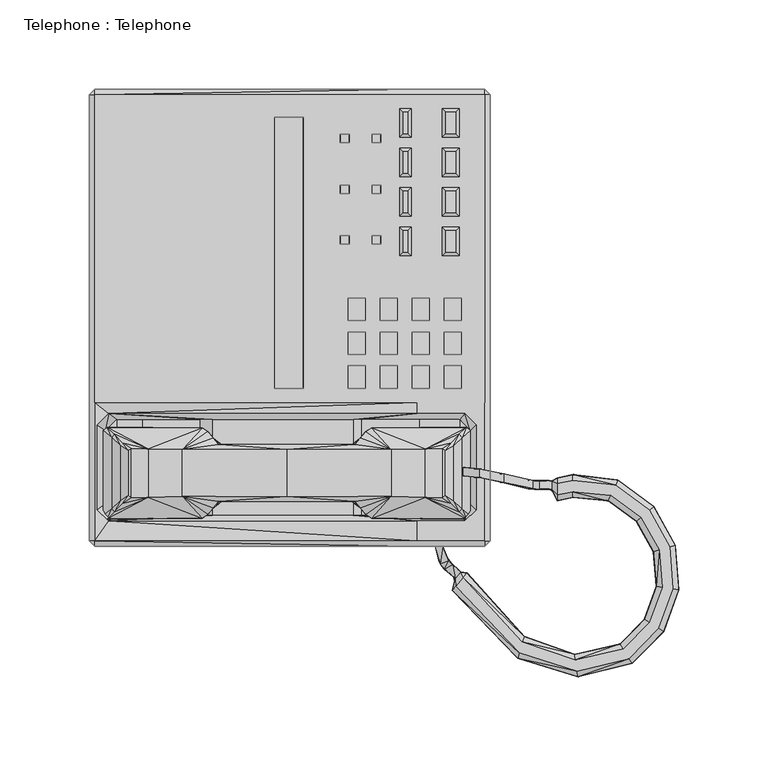
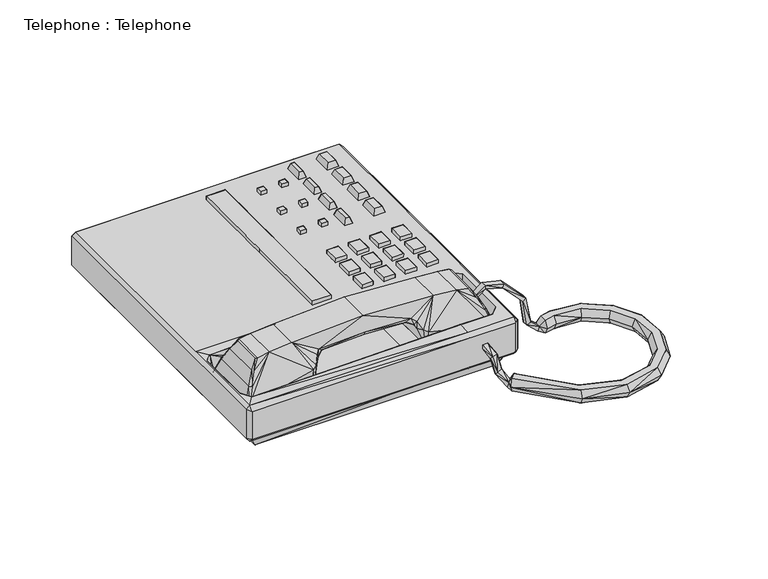
"""IFC4 building model written with IfcOpenShell, lengths in millimetres: proxy geometry, Telephone : Telephone."""

from ifc_helpers import new_model, si_unit, origin, place, context, project, spatial, triangles, source, transform, mapped, element, save


def telephone_telephone_0df5da5e(model_context):
    return source(origin(), model_context, "Body", "Tessellation", [
        triangles([(191.1736326, 139.700003, 47.631563), (191.1594801, 139.700003, 44.4565978), (181.6345709, 139.700003, 44.4990098), (181.6487052, 139.700003, 47.673975), (209.1350362, 139.700003, 47.6415188), (209.1209019, 139.700003, 44.4665536), (199.5959928, 139.700003, 44.5089656), (199.6101452, 139.700003, 47.6839308), (173.2008924, 139.700003, 47.6221386), (173.1867581, 139.700003, 44.4471734), (163.6618308, 139.700003, 44.4895855), (163.6759832, 139.700003, 47.6645506), (155.2324216, 139.700003, 47.5756798), (155.2182691, 139.700003, 44.4007101), (145.693369, 139.700003, 44.3146961), (145.7075033, 139.700003, 47.6180918), (191.1736326, 120.650003, 47.6315675), (191.1594801, 120.650003, 44.4566024), (181.6345709, 120.650003, 44.4990144), (181.6487052, 120.650003, 47.6739796), (181.6487052, 126.999997, 47.6739796), (181.6345709, 126.999997, 44.4990144), (191.1736326, 126.999997, 47.6315675), (191.1594801, 126.999997, 44.4566024), (181.6487052, 88.899997, 47.6739841), (181.6345709, 88.899997, 44.4990144), (191.1736326, 88.899997, 47.6315721), (191.1594801, 88.899997, 44.4566024), (181.6487052, 101.5999939, 47.6739796), (181.6345709, 101.5999939, 44.4990144), (191.1736326, 101.5999939, 47.6315675), (191.1594801, 101.5999939, 44.4566024), (181.6487052, 107.949997, 47.6739796), (181.6345709, 107.949997, 44.4990144), (191.1736326, 107.949997, 47.6315675), (191.1594801, 107.949997, 44.4566024), (199.6101452, 126.999997, 47.6839354), (199.5959928, 126.999997, 44.5089702), (209.1350362, 126.999997, 47.6415233), (209.1209019, 126.999997, 44.4665582), (209.1350362, 120.650003, 47.6415233), (209.1209019, 120.650003, 44.4665582), (199.5959928, 120.650003, 44.5089702), (199.6101452, 120.650003, 47.6839354), (199.6101452, 88.899997, 47.6839399), (199.5959928, 88.899997, 44.5089702), (209.1350362, 88.899997, 47.6415279), (209.1209019, 88.899997, 44.4665582), (209.1350362, 101.5999939, 47.6415233), (209.1209019, 101.5999939, 44.4665582), (199.5959928, 101.5999939, 44.5089702), (199.6101452, 101.5999939, 47.6839354), (199.6101452, 107.949997, 47.6839354), (199.5959928, 107.949997, 44.5089702), (209.1350362, 107.949997, 47.6415233), (209.1209019, 107.949997, 44.4665582), (173.2008924, 107.949997, 47.6221432), (173.1867581, 107.949997, 44.4471734), (173.2008924, 120.650003, 47.6221432), (173.1867581, 120.650003, 44.4471734), (163.6759832, 120.650003, 47.6645552), (163.6618308, 120.650003, 44.4895855), (163.6759832, 107.949997, 47.6645552), (163.6618308, 107.949997, 44.4895855), (163.6759832, 101.5999939, 47.6645552), (163.6618308, 101.5999939, 44.4895855), (163.6759832, 88.899997, 47.6645552), (163.6618308, 88.899997, 44.48959), (173.2008924, 88.899997, 47.6221432), (173.1867581, 88.899997, 44.447178), (173.2008924, 101.5999939, 47.6221432), (173.1867581, 101.5999939, 44.4471734), (163.6759832, 126.999997, 47.6645552), (163.6618308, 126.999997, 44.4895855), (173.2008924, 126.999997, 47.6221432), (173.1867581, 126.999997, 44.4471734), (155.2324216, 88.899997, 47.5756889), (155.2182691, 88.899997, 44.4007192), (155.2324216, 101.5999939, 47.5756843), (155.2182691, 101.5999939, 44.4007146), (155.2324216, 107.949997, 47.5756843), (155.2182691, 107.949997, 44.4007146), (155.2324216, 120.650003, 47.5756843), (155.2182691, 120.650003, 44.4007146), (145.7075033, 120.650003, 47.6180964), (145.693369, 120.650003, 44.3146961), (145.7075033, 107.949997, 47.6180964), (145.693369, 107.949997, 44.3146961), (145.693369, 101.5999939, 44.3146961), (145.7075033, 101.5999939, 47.6180964), (145.7075033, 88.899997, 47.6181009), (145.693369, 88.899997, 44.3147006), (145.7075033, 126.999997, 47.6180964), (145.693369, 126.999997, 44.3146961), (155.2324216, 126.999997, 47.5756843), (155.2182691, 126.999997, 44.4007146)], [[1, 2, 3], [3, 4, 1], [5, 6, 7], [7, 8, 5], [9, 10, 11], [11, 12, 9], [13, 14, 15], [15, 16, 13], [17, 18, 19], [19, 20, 17], [21, 22, 23], [24, 23, 22], [25, 26, 27], [28, 27, 26], [29, 30, 25], [26, 25, 30], [27, 28, 31], [32, 31, 28], [31, 32, 30], [30, 29, 31], [33, 34, 35], [36, 35, 34], [35, 36, 17], [18, 17, 36], [20, 19, 33], [34, 33, 19], [37, 38, 39], [40, 39, 38], [41, 42, 43], [43, 44, 41], [45, 46, 47], [48, 47, 46], [49, 50, 51], [51, 52, 49], [47, 48, 49], [50, 49, 48], [53, 54, 55], [56, 55, 54], [52, 51, 45], [46, 45, 51], [44, 43, 53], [54, 53, 43], [55, 56, 41], [42, 41, 56], [57, 58, 59], [60, 59, 58], [61, 62, 63], [64, 63, 62], [65, 66, 67], [68, 67, 66], [63, 64, 57], [58, 57, 64], [69, 70, 71], [72, 71, 70], [71, 72, 66], [66, 65, 71], [67, 68, 69], [70, 69, 68], [59, 60, 62], [62, 61, 59], [73, 74, 75], [76, 75, 74], [77, 78, 79], [80, 79, 78], [81, 82, 83], [84, 83, 82], [85, 86, 87], [88, 87, 86], [87, 88, 81], [82, 81, 88], [79, 80, 89], [89, 90, 79], [90, 89, 91], [92, 91, 89], [91, 92, 77], [78, 77, 92], [93, 94, 95], [96, 95, 94], [83, 84, 86], [86, 85, 83], [12, 11, 73], [74, 73, 11], [75, 76, 9], [10, 9, 76], [4, 3, 21], [22, 21, 3], [23, 24, 1], [2, 1, 24], [39, 40, 5], [6, 5, 40], [8, 7, 37], [38, 37, 7], [95, 96, 13], [14, 13, 96], [16, 15, 93], [94, 93, 15], [25, 27, 29], [31, 29, 27], [33, 35, 20], [17, 20, 35], [45, 47, 52], [49, 52, 47], [53, 55, 44], [41, 44, 55], [63, 57, 61], [59, 61, 57], [67, 69, 65], [71, 65, 69], [91, 77, 90], [79, 90, 77], [87, 81, 85], [83, 85, 81], [73, 75, 12], [9, 12, 75], [21, 23, 4], [1, 4, 23], [37, 39, 8], [5, 8, 39], [93, 95, 16], [13, 16, 95]], closed=False),
        triangles([(206.3749939, 177.7999939, 49.26126), (207.9625061, 179.3875061, 44.49876), (198.4375061, 179.3875061, 44.49876), (200.025, 177.7999939, 49.26126), (200.025, 165.1000061, 49.26126), (198.4375061, 163.5124939, 44.49876), (207.9625061, 163.5124939, 44.49876), (206.3749939, 165.1000061, 49.26126), (206.3749939, 209.55, 49.26126), (207.9625061, 207.9625061, 44.49876), (206.3749939, 222.2500061, 49.2612555), (207.9625061, 223.8375, 44.4987555), (206.3749939, 187.3249939, 49.26126), (207.9625061, 185.7375, 44.49876), (206.3749939, 200.025, 49.26126), (207.9625061, 201.6124939, 44.49876), (198.4375061, 207.9625061, 44.49876), (200.025, 209.55, 49.26126), (200.025, 222.2500061, 49.2612555), (198.4375061, 223.8375, 44.4987555), (198.4375061, 185.7375, 44.49876), (200.025, 187.3249939, 49.26126), (200.025, 200.025, 49.26126), (198.4375061, 201.6124939, 44.49876), (206.3749939, 231.7750061, 49.2612555), (207.9625061, 230.1874939, 44.4987555), (206.3749939, 244.4749939, 49.2612555), (207.9625061, 246.0625061, 44.4987555), (198.4375061, 230.1874939, 44.4987555), (200.025, 231.7750061, 49.2612555), (200.025, 244.4749939, 49.2612555), (198.4375061, 246.0625061, 44.4987555), (179.3875061, 165.1000061, 49.26126), (180.975, 163.5124939, 44.49876), (179.3875061, 177.7999939, 49.26126), (180.975, 179.3875061, 44.49876), (179.3875061, 209.55, 49.26126), (180.975, 207.9625061, 44.49876), (179.3875061, 222.2500061, 49.2612555), (180.975, 223.8375, 44.4987555), (179.3875061, 187.3249939, 49.26126), (180.975, 185.7375, 44.49876), (179.3875061, 200.025, 49.26126), (180.975, 201.6124939, 44.49876), (179.3875061, 231.7750061, 49.2612555), (180.975, 230.1874939, 44.4987555), (179.3875061, 244.4749939, 49.2612555), (180.975, 246.0625061, 44.4987555), (174.6250061, 246.0625061, 44.4987555), (176.2125, 244.4749939, 49.2612555), (174.6250061, 230.1874939, 44.4987555), (176.2125, 231.7750061, 49.2612555), (174.6250061, 223.8375, 44.4987555), (176.2125, 222.2500061, 49.2612555), (174.6250061, 201.6124939, 44.49876), (176.2125, 200.025, 49.26126), (174.6250061, 185.7375, 44.49876), (176.2125, 187.3249939, 49.26126), (174.6250061, 207.9625061, 44.49876), (176.2125, 209.55, 49.26126), (174.6250061, 163.5124939, 44.49876), (176.2125, 165.1000061, 49.26126), (174.6250061, 179.3875061, 44.49876), (176.2125, 177.7999939, 49.26126)], [[1, 2, 3], [3, 4, 1], [4, 3, 5], [6, 5, 3], [6, 7, 5], [8, 5, 7], [8, 7, 1], [2, 1, 7], [9, 10, 11], [12, 11, 10], [13, 14, 15], [16, 15, 14], [17, 10, 18], [9, 18, 10], [19, 20, 18], [17, 18, 20], [21, 14, 22], [13, 22, 14], [23, 24, 22], [21, 22, 24], [15, 16, 24], [24, 23, 15], [11, 12, 20], [20, 19, 11], [25, 26, 27], [28, 27, 26], [29, 26, 30], [25, 30, 26], [31, 32, 30], [29, 30, 32], [27, 28, 32], [32, 31, 27], [33, 34, 35], [36, 35, 34], [37, 38, 39], [40, 39, 38], [41, 42, 43], [44, 43, 42], [45, 46, 47], [48, 47, 46], [47, 48, 49], [49, 50, 47], [51, 46, 52], [45, 52, 46], [39, 40, 53], [53, 54, 39], [43, 44, 55], [55, 56, 43], [57, 42, 58], [41, 58, 42], [59, 38, 60], [37, 60, 38], [61, 34, 62], [33, 62, 34], [35, 36, 63], [63, 64, 35], [50, 49, 52], [51, 52, 49], [56, 55, 58], [57, 58, 55], [54, 53, 60], [59, 60, 53], [64, 63, 62], [61, 62, 63], [27, 31, 30], [30, 25, 27], [47, 50, 52], [52, 45, 47], [1, 4, 5], [5, 8, 1], [11, 19, 18], [18, 9, 11], [15, 23, 22], [22, 13, 15], [43, 56, 58], [58, 41, 43], [39, 54, 60], [60, 37, 39], [35, 64, 62], [62, 33, 35]], closed=False),
        triangles([(158.9825561, 169.8625061, 47.7516274), (158.9997607, 169.8625061, 44.5766759), (164.0158062, 169.8625061, 47.7762081), (164.033029, 169.8625061, 44.601252), (164.0158062, 174.6250061, 47.7762081), (164.033029, 174.6250061, 44.601252), (158.9997607, 174.6250061, 44.5766759), (158.9825561, 174.6250061, 47.7516274), (158.9825561, 227.0125061, 47.7516229), (158.9997607, 227.0125061, 44.5766714), (164.0158062, 227.0125061, 47.7762035), (164.033029, 227.0125061, 44.6012474), (164.0158062, 231.7750061, 47.7762035), (164.033029, 231.7750061, 44.6012474), (158.9997607, 231.7750061, 44.5766714), (158.9825561, 231.7750061, 47.7516229), (164.0158062, 198.4375061, 47.7762035), (164.033029, 198.4375061, 44.601252), (164.0158062, 203.2000061, 47.7762035), (164.033029, 203.2000061, 44.601252), (158.9825561, 203.2000061, 47.7516229), (158.9997607, 203.2000061, 44.5766714), (158.9825561, 198.4375061, 47.7516229), (158.9997607, 198.4375061, 44.5766714), (141.2405067, 203.2000061, 47.4940987), (141.2577204, 203.2000061, 44.340067), (141.2405067, 198.4375061, 47.4940987), (141.2577204, 198.4375061, 44.340067), (141.2405067, 231.7750061, 47.4940987), (141.2577204, 231.7750061, 44.3400624), (141.2405067, 227.0125061, 47.4940987), (141.2577204, 227.0125061, 44.3400624), (141.2405067, 174.6250061, 47.4941032), (141.2577204, 174.6250061, 44.340067), (141.2405067, 169.8625061, 47.4941032), (141.2577204, 169.8625061, 44.340067), (146.2737751, 174.6250061, 47.5186793), (146.2909706, 174.6250061, 44.3888558), (146.2737751, 169.8625061, 47.5186793), (146.2909706, 169.8625061, 44.3888558), (146.2737751, 231.7750061, 47.5186747), (146.2909706, 231.7750061, 44.3888467), (146.2737751, 227.0125061, 47.5186747), (146.2909706, 227.0125061, 44.3888467), (146.2737751, 198.4375061, 47.5186793), (146.2909706, 198.4375061, 44.3888512), (146.2737751, 203.2000061, 47.5186793), (146.2909706, 203.2000061, 44.3888512)], [[1, 2, 3], [4, 3, 2], [5, 6, 7], [7, 8, 5], [8, 7, 1], [2, 1, 7], [3, 4, 5], [6, 5, 4], [9, 10, 11], [12, 11, 10], [13, 14, 15], [15, 16, 13], [16, 15, 9], [10, 9, 15], [11, 12, 13], [14, 13, 12], [17, 18, 19], [20, 19, 18], [21, 22, 23], [24, 23, 22], [19, 20, 22], [22, 21, 19], [23, 24, 17], [18, 17, 24], [25, 26, 27], [28, 27, 26], [29, 30, 31], [32, 31, 30], [33, 34, 35], [36, 35, 34], [37, 38, 34], [34, 33, 37], [35, 36, 39], [40, 39, 36], [41, 42, 30], [30, 29, 41], [31, 32, 43], [44, 43, 32], [27, 28, 45], [46, 45, 28], [47, 48, 26], [26, 25, 47], [45, 46, 47], [48, 47, 46], [43, 44, 41], [42, 41, 44], [39, 40, 37], [38, 37, 40], [1, 3, 8], [5, 8, 3], [9, 11, 16], [13, 16, 11], [23, 17, 21], [19, 21, 17], [35, 39, 33], [37, 33, 39], [31, 43, 29], [41, 29, 43], [27, 45, 25], [47, 25, 45]], closed=False),
        triangles([(104.4325064, 88.899997, 47.7403182), (104.4183721, 88.899997, 44.565353), (120.3074186, 88.899997, 47.6979062), (120.2932752, 88.899997, 44.5229364), (120.3074186, 165.1000061, 47.6979016), (120.2932752, 165.1000061, 44.5229319), (120.3074186, 177.7999939, 47.6979016), (120.2932752, 177.7999939, 44.5229319), (104.4325064, 177.7999939, 47.7403136), (104.4183721, 177.7999939, 44.5653439), (104.4325064, 165.1000061, 47.7403136), (104.4183721, 165.1000061, 44.5653439), (104.4325064, 190.5, 47.7403091), (104.4183721, 190.5, 44.5653439), (120.3074186, 190.5, 47.6978971), (120.2932752, 190.5, 44.5229274), (120.3074186, 203.2000061, 47.6978971), (120.2932752, 203.2000061, 44.5229274), (104.4325064, 203.2000061, 47.7403091), (104.4183721, 203.2000061, 44.5653439), (120.2932752, 241.3000061, 44.5229228), (120.3074186, 241.3000061, 47.6978925), (120.3074186, 228.6, 47.6978925), (120.2932752, 228.6, 44.5229228), (104.4183721, 241.3000061, 44.5653394), (104.4325064, 241.3000061, 47.7403046), (104.4183721, 228.6, 44.5653394), (104.4325064, 228.6, 47.7403046), (104.4325064, 215.8999939, 47.7403091), (104.4183721, 215.8999939, 44.5653439), (120.3074186, 215.8999939, 47.6978971), (120.2932752, 215.8999939, 44.5229274)], [[1, 2, 3], [4, 3, 2], [3, 4, 5], [6, 5, 4], [5, 6, 7], [8, 7, 6], [9, 10, 11], [12, 11, 10], [13, 14, 9], [10, 9, 14], [7, 8, 15], [16, 15, 8], [15, 16, 17], [18, 17, 16], [19, 20, 13], [14, 13, 20], [21, 22, 23], [23, 24, 21], [25, 26, 22], [22, 21, 25], [27, 28, 26], [26, 25, 27], [28, 27, 29], [30, 29, 27], [31, 32, 23], [24, 23, 32], [17, 18, 31], [32, 31, 18], [29, 30, 19], [20, 19, 30], [1, 3, 11], [5, 11, 3], [11, 5, 9], [7, 9, 5], [9, 7, 13], [15, 13, 7], [13, 15, 19], [17, 19, 15], [22, 26, 28], [28, 23, 22], [29, 31, 28], [23, 28, 31], [19, 17, 29], [31, 29, 17]], closed=False),
        triangles([(233.1541007, 40.7752092, 50.0512781), (233.1541007, 36.0127114, 50.0512827), (249.1557765, 32.475718, 33.9359487), (249.1557765, 37.238218, 33.9359487), (232.0332025, 40.7752092, 46.9482108), (246.6676472, 37.238218, 31.8131109), (232.0332025, 36.0127114, 46.9482199), (246.6676472, 32.475718, 31.8131109), (249.9184117, 37.238218, 10.091659), (252.8763707, 36.9013631, 11.8039023), (249.9184117, 32.4757226, 10.0916601), (252.8763707, 32.1388654, 11.8039023), (198.4001173, -11.4709341, 11.7902415), (196.4010388, -7.8168154, 23.8088483), (201.2842436, -6.1514862, 23.8088483), (203.2833222, -8.9723329, 11.7902403), (199.5897613, -12.9283306, 13.5024836), (197.31401, -9.7112997, 25.9316861), (204.4729661, -10.4297288, 13.5024836), (202.1972148, -8.0459688, 25.9316861), (205.7807352, -18.0260243, 5.6812717), (204.947156, -17.315053, 1.8185787), (208.8712805, -14.4025093, 5.6812711), (208.0377195, -13.6915346, 1.8185784), (243.5155685, -53.5661708, 0.7097045), (210.3031517, -17.3840372, 0.7097014), (244.4130791, -50.5094942, 6.3076336), (212.3893616, -14.9764296, 6.3076302), (240.783922, -62.8693139, 6.2275371), (203.9536846, -24.7117116, 6.2275337), (241.7009627, -59.7460806, 0.6696548), (206.0853132, -22.2516782, 0.6696516), (303.5159032, -62.9731865, 0.6696551), (320.1204311, -46.1061837, 0.6696537), (322.8587814, -47.8660191, 6.2275359), (305.275734, -65.7115368, 6.2275376), (298.3114244, -54.8748255, 6.3076336), (312.0220882, -40.9016867, 6.3076325), (314.7020845, -42.6240198, 0.7097036), (300.0337393, -57.5548263, 0.7097049), (274.1840635, -70.1060769, 0.6696557), (274.6473165, -73.3280323, 6.2275382), (272.8140708, -60.5775297, 6.3076347), (273.2674225, -63.7308256, 0.7097054), (309.9706873, 16.1948225, 0.7096984), (307.5630944, 14.1086183, 6.3076279), (293.1043294, 28.5889799, 0.7096973), (291.7809364, 25.691144, 6.3076268), (295.7799292, 34.4477497, 0.6696466), (271.7707661, 37.1078095, 0.6696464), (271.7707661, 40.3629024, 6.227528), (297.1321541, 37.4086814, 6.2275286), (260.0661571, 36.73293, 5.7213151), (258.9705481, 36.73293, 1.8586227), (260.0661571, 31.9704323, 5.7213157), (258.9705481, 31.9704323, 1.8586232), (263.0395221, 35.2551042, 0.6696465), (263.0395221, 38.5101948, 6.2275286), (263.0395221, 28.8142932, 0.7096973), (263.0395221, 25.6285683, 6.3076268), (271.7707661, 27.4812782, 6.3076268), (271.7707661, 30.667003, 0.7096972), (331.4396167, -24.3288997, 6.2275337), (328.2176476, -23.8656513, 0.6696517), (329.4672807, 0.6458118, 6.227532), (326.3440701, -0.2712535, 0.6696496), (321.8423827, -22.9490285, 0.7097019), (318.6890868, -22.4956541, 6.3076313), (320.1641421, -2.085839, 0.7097), (317.107461, -2.9833603, 6.307629), (317.298365, 22.5442862, 6.2275297), (314.8383408, 20.4126576, 0.6696479), (210.257733, -17.4364595, 11.8655128), (243.4960203, -53.6327229, 11.8655162), (241.6814508, -59.8126418, 11.8254671), (206.0398945, -22.3041005, 11.8254648), (300.071237, -57.6131803, 11.8655162), (314.7604385, -42.6615175, 11.8655151), (303.5534191, -63.0315405, 11.8254682), (320.1787851, -46.1436814, 11.8254671), (274.1939285, -70.1747364, 11.8254682), (273.2773057, -63.7994851, 11.8655173), (293.1331431, 28.6520847, 11.8655083), (310.0231187, 16.2402469, 11.8655094), (295.808761, 34.51085, 11.8254591), (271.7707661, 37.1771821, 11.8254591), (263.0395221, 35.3244767, 11.8254591), (263.0395221, 28.8836658, 11.8655083), (271.7707661, 30.7363711, 11.8655083), (326.4106359, -0.2517089, 11.8254626), (328.2863208, -23.875523, 11.8254648), (321.9110559, -22.9588979, 11.8655128), (320.2307078, -2.066295, 11.8655117), (314.8907722, 20.4580831, 11.8254603), (194.4820426, -0.0873942, 31.8161244), (194.5554211, -0.0934716, 28.1094057), (198.7660834, -0.0719249, 28.1094057), (198.692723, -0.0658476, 31.8161244), (210.2874368, 44.450003, 44.163656), (210.2874368, 39.687503, 44.1636515), (219.1023784, 38.8453669, 51.6513394), (219.1023784, 43.6078669, 51.6513394), (219.1603327, 38.8453669, 48.4641248), (211.3989605, 39.6874985, 41.392032), (219.1603327, 43.6078669, 48.4641248), (211.3989605, 44.4499985, 41.3920365)], [[1, 2, 3], [3, 4, 1], [5, 1, 4], [5, 4, 6], [2, 7, 3], [3, 7, 8], [7, 5, 6], [6, 8, 7], [9, 6, 10], [10, 6, 4], [8, 11, 12], [8, 12, 3], [8, 6, 11], [9, 11, 6], [4, 3, 10], [12, 10, 3], [13, 14, 15], [13, 15, 16], [14, 13, 17], [14, 17, 18], [16, 15, 19], [19, 15, 20], [17, 13, 21], [21, 13, 22], [19, 17, 21], [19, 21, 23], [16, 19, 23], [16, 23, 24], [25, 26, 27], [27, 26, 28], [29, 30, 31], [31, 30, 32], [33, 34, 35], [33, 35, 36], [37, 38, 39], [37, 39, 40], [41, 33, 42], [42, 33, 36], [43, 37, 44], [44, 37, 40], [31, 41, 29], [29, 41, 42], [27, 43, 25], [25, 43, 44], [45, 46, 47], [47, 46, 48], [49, 50, 51], [49, 51, 52], [24, 23, 26], [26, 23, 28], [32, 30, 21], [32, 21, 22], [22, 13, 16], [22, 16, 24], [9, 10, 53], [9, 53, 54], [12, 11, 55], [55, 11, 56], [11, 9, 54], [54, 56, 11], [54, 53, 57], [57, 53, 58], [59, 60, 55], [59, 55, 56], [48, 61, 62], [48, 62, 47], [61, 60, 59], [59, 62, 61], [50, 57, 58], [58, 51, 50], [63, 64, 65], [65, 64, 66], [39, 38, 67], [67, 38, 68], [67, 68, 69], [69, 68, 70], [69, 70, 45], [45, 70, 46], [71, 72, 52], [52, 72, 49], [35, 34, 63], [63, 34, 64], [65, 66, 71], [71, 66, 72], [24, 26, 22], [22, 26, 32], [54, 57, 56], [56, 57, 59], [32, 26, 25], [32, 25, 31], [40, 39, 33], [34, 33, 39], [40, 33, 41], [40, 41, 44], [44, 41, 31], [44, 31, 25], [45, 47, 49], [49, 72, 45], [49, 47, 50], [50, 47, 62], [62, 59, 50], [57, 50, 59], [39, 67, 64], [64, 34, 39], [67, 69, 66], [66, 64, 67], [69, 45, 72], [72, 66, 69], [27, 28, 73], [27, 73, 74], [75, 76, 30], [75, 30, 29], [77, 78, 37], [37, 78, 38], [36, 35, 79], [79, 35, 80], [42, 36, 79], [42, 79, 81], [82, 77, 37], [82, 37, 43], [29, 42, 81], [29, 81, 75], [74, 82, 43], [74, 43, 27], [83, 48, 46], [83, 46, 84], [52, 51, 85], [85, 51, 86], [23, 73, 28], [30, 76, 21], [21, 76, 73], [21, 73, 23], [10, 12, 55], [55, 53, 10], [53, 87, 58], [60, 88, 55], [55, 88, 87], [55, 87, 53], [83, 89, 48], [48, 89, 61], [89, 88, 61], [60, 61, 88], [51, 58, 86], [87, 86, 58], [65, 90, 91], [65, 91, 63], [92, 68, 38], [92, 38, 78], [93, 70, 68], [93, 68, 92], [84, 46, 70], [84, 70, 93], [52, 85, 94], [52, 94, 71], [63, 91, 80], [63, 80, 35], [71, 94, 90], [71, 90, 65], [75, 74, 76], [76, 74, 73], [79, 80, 78], [78, 77, 79], [82, 81, 77], [77, 81, 79], [74, 75, 82], [82, 75, 81], [94, 85, 84], [83, 84, 85], [86, 89, 83], [86, 83, 85], [86, 87, 88], [88, 89, 86], [80, 91, 78], [92, 78, 91], [91, 90, 92], [93, 92, 90], [90, 94, 93], [84, 93, 94], [95, 96, 18], [18, 96, 14], [97, 98, 20], [97, 20, 15], [15, 14, 97], [97, 14, 96], [19, 20, 17], [17, 20, 18], [98, 95, 18], [98, 18, 20], [99, 100, 101], [101, 102, 99], [101, 100, 103], [103, 100, 104], [99, 102, 105], [99, 105, 106], [104, 106, 105], [105, 103, 104], [102, 101, 1], [2, 1, 101], [101, 103, 7], [101, 7, 2], [105, 102, 5], [5, 102, 1], [103, 105, 7], [5, 7, 105]], closed=False),
        triangles([(0.0, 253.9999939, 15.8749894), (0.0, 3.1749984, 15.8750087), (0.0, 3.1750004, 41.2750106), (0.0, 253.9999939, 41.2749879), (225.4249939, 253.9999939, 41.2749879), (225.4249939, 3.1750004, 41.2750106), (225.4249939, 253.9999939, 15.8749894), (225.4249939, 3.1749984, 15.8750087), (208.3836468, 17.4624981, 17.0324235), (184.1500061, 14.2875011, 44.4500076), (211.1374939, 14.2875011, 44.4500076), (208.3836468, 71.4375, 17.032419), (211.1374939, 74.6124924, 44.4500076), (184.1500061, 74.6124924, 44.4500076), (214.3125, 23.8124977, 17.4625072), (217.4875061, 20.6375008, 44.4500076), (214.3125, 65.0875015, 17.4625061), (217.4875061, 68.2624939, 44.4500076), (148.4431558, 71.4375, 23.6578151), (152.8539876, 71.4375, 16.9231733), (152.8539876, 17.4624981, 16.9231778), (148.4431558, 17.4624981, 23.6578197), (11.1124996, 74.6124924, 41.765206), (69.4021228, 71.4375, 23.0380424), (69.4021228, 17.4624981, 23.0380469), (11.1124996, 14.2875, 41.7652105), (4.7625, 20.6375008, 43.2986789), (9.1019517, 23.8124977, 17.1463508), (15.4519456, 17.4624981, 16.1785807), (4.7625, 68.2624939, 43.2986789), (9.1019517, 65.0875015, 17.1463496), (15.4519456, 71.4375, 16.1785762), (30.2154635, 17.4624981, 16.0985586), (30.2154635, 71.4375, 16.0985541), (62.627609, 71.4375, 16.6789976), (62.627609, 17.4624981, 16.6790021), (3.1750001, 4e-07, 39.6875121), (3.1750001, -1.7e-06, 15.8750087), (184.1500061, -1.7e-06, 15.8750087), (184.1500061, 6e-07, 41.2750106), (222.2500061, -1.7e-06, 15.8750087), (222.2500061, 6e-07, 41.2750106), (3.1750001, 257.175, 39.6874894), (3.1750001, 257.175, 15.8749894), (184.1500061, 257.175, 41.2749879), (184.1500061, 257.175, 15.8749894), (222.2500061, 257.175, 41.2749879), (222.2500061, 257.175, 15.8749894), (3.1750001, 3.1749978, 11.9336296), (3.1750001, 253.9999939, 11.9336102), (222.2500061, 3.1749981, 12.7000095), (222.2500061, 253.9999939, 12.699989), (184.1500061, 3.1749981, 12.7000095), (184.1500061, 253.9999939, 12.699989), (6.5250014, 6.3499979, 11.1250079), (6.5250014, 250.8250061, 11.1249875), (12.7000004, 244.4749939, -1.01e-05), (12.7000004, 12.699997, 1.01e-05), (219.075, 250.8250061, 12.6999879), (219.075, 6.3499979, 12.7000095), (212.7250061, 244.4749939, -1.01e-05), (212.7250061, 12.699997, 1.01e-05), (184.1500061, 6.3499979, 12.7000095), (184.1500061, 250.8250061, 12.6999879), (185.6327462, 17.4624981, 17.5301255), (185.6327462, 71.4375, 17.5301209), (201.6124939, -0.0487011, 33.3375114), (201.6124939, -0.0487017, 26.9875129), (192.0874939, -0.0487017, 26.9875129), (192.0874939, -0.0487011, 33.3375114), (184.1500061, 80.9625, 44.450003), (184.1500061, 253.9999939, 44.4499894), (3.1750001, 253.9999939, 43.6836072), (3.1750001, 80.9625, 43.6836208), (3.1750001, 3.1750007, 43.6836299), (184.1500061, 3.1750007, 44.4500121), (17.4888308, 88.899997, 44.1146038), (101.7127687, 88.899997, 44.5671743), (17.4888308, 247.65, 44.1145902), (101.7127687, 247.65, 44.5671607), (222.2500061, 80.9625, 44.450003), (222.2500061, 253.9999939, 44.4499894), (222.2500061, 3.1750007, 44.4500121), (138.1388338, 153.9874939, 44.3047902), (166.8002656, 153.9874939, 44.5671697), (138.1388338, 247.65, 44.3047857), (166.8002656, 247.65, 44.5671607), (52.3875, 54.5681491, 66.6750045), (52.3875, 27.9818472, 66.6750045), (111.125003, 54.5045038, 69.8500061), (111.125003, 28.0454993, 69.8500061), (169.8625061, 27.9818472, 66.6750045), (169.8625061, 54.5681491, 66.6750045), (73.0249985, 57.3261202, 55.5625061), (111.125003, 57.3076621, 57.1500045), (73.0249985, 25.2238737, 55.5625061), (111.125003, 25.2423319, 57.1500045), (149.225003, 25.2238737, 55.5625061), (149.225003, 57.3261202, 55.5625061), (66.675, 17.9201896, 47.6250091), (63.4999985, 15.8318598, 46.0375106), (65.0875015, 17.9276609, 33.3375091), (61.9125, 16.1362244, 31.7500083), (69.8500015, 21.6528821, 47.6250091), (10.2322969, 15.6144176, 33.6514775), (15.8749996, 15.8749985, 19.0500114), (33.3375, 27.6852673, 65.0875061), (14.2875, 19.3370601, 46.0375106), (12.7000004, 21.2353567, 46.0375106), (7.9374998, 17.4408447, 33.3375091), (19.05, 24.3076506, 55.5625106), (65.0875015, 64.622341, 33.3375068), (69.8500015, 60.8971187, 47.6250045), (7.9374998, 65.1091481, 33.3375068), (12.7000004, 61.3146395, 46.0375061), (19.05, 58.2423388, 55.5625061), (33.3375, 54.8647289, 65.0875061), (14.2875, 63.212943, 46.0375061), (10.2322969, 66.9355809, 33.6514729), (63.4999985, 66.7181342, 46.0375061), (15.8749996, 66.675, 19.0500068), (61.9125, 66.4137741, 31.7500061), (66.675, 64.6298123, 47.6250045), (155.5750061, 64.6298123, 47.6250045), (158.7499939, 66.7181342, 46.0375061), (157.1625, 64.622341, 33.3375068), (160.3375061, 66.4137741, 31.7500061), (152.4, 60.8971187, 47.6250045), (212.0177091, 66.9355809, 33.6514729), (206.3749939, 66.675, 19.0500068), (188.9125061, 54.8647289, 65.0875061), (207.9625061, 63.212943, 46.0375061), (209.55, 61.3146395, 46.0375061), (214.3125, 65.1091481, 33.3375068), (203.2000061, 58.2423388, 55.5625061), (214.3125, 17.4408447, 33.3375091), (209.55, 21.2353567, 46.0375106), (157.1625, 17.9276609, 33.3375091), (152.4, 21.6528821, 47.6250091), (203.2000061, 24.3076506, 55.5625106), (188.9125061, 27.6852673, 65.0875061), (207.9625061, 19.3370601, 46.0375106), (212.0177091, 15.6144176, 33.6514775), (158.7499939, 15.8318598, 46.0375106), (206.3749939, 15.8749985, 19.0500114), (160.3375061, 16.1362244, 31.7500083), (155.5750061, 17.9201896, 47.6250091), (26.9874992, 53.9420881, 24.0842063), (26.9874992, 28.5420873, 24.0842085), (195.2625, 53.9420881, 24.0842063), (195.2625, 28.5420873, 24.0842085), (12.7000004, 18.1608816, 19.0500068), (12.7000004, 64.3891112, 19.0500068), (50.00625, 28.672698, 30.4342093), (50.00625, 53.8114729, 30.434207), (172.2437561, 53.8114729, 30.434207), (172.2437561, 28.672698, 30.4342093), (209.55, 64.3891112, 19.0500068), (209.55, 18.1608816, 19.0500068), (71.4375, 22.9095641, 50.8000106), (71.4375, 59.6404321, 50.8000061), (76.2, 55.8640274, 52.3875045), (76.2, 26.685971, 52.3875045), (150.812497, 59.6404321, 50.8000061), (150.812497, 22.9095641, 50.8000106), (146.049997, 55.8640274, 52.3875045), (146.049997, 26.685971, 52.3875045), (17.4625004, 25.655304, 55.5625061), (69.8500015, 21.5909673, 53.9750121), (17.4625004, 56.8946922, 55.5625061), (69.8500015, 60.9590289, 53.9750076), (152.4, 60.9590289, 53.9750076), (204.7875, 56.8946922, 55.5625061), (204.7875, 25.655304, 55.5625061), (152.4, 21.5909673, 53.9750121), (23.8125, 27.3886898, 63.5000076), (22.1247873, 28.6776986, 62.9992069), (22.1247873, 53.8722931, 62.9992069), (23.8125, 55.1613087, 63.5000076), (198.4375061, 55.1613087, 63.5000076), (200.1252119, 53.8722931, 62.9992069), (200.1252119, 28.6776986, 62.9992069), (198.4375061, 27.3886898, 63.5000076), (111.125003, 55.8703724, 54.0543814), (111.125003, 26.6796238, 54.0543814)], [[1, 2, 3], [3, 4, 1], [5, 6, 7], [8, 7, 6], [9, 10, 11], [12, 13, 14], [15, 16, 17], [18, 17, 16], [11, 16, 15], [11, 15, 9], [17, 18, 13], [17, 13, 12], [14, 19, 20], [14, 20, 12], [9, 21, 10], [10, 21, 22], [14, 23, 24], [14, 24, 19], [10, 22, 25], [10, 25, 26], [27, 26, 28], [28, 26, 29], [30, 31, 23], [23, 31, 32], [26, 33, 29], [23, 32, 34], [24, 23, 35], [35, 23, 34], [25, 36, 26], [26, 36, 33], [37, 3, 2], [2, 38, 37], [27, 28, 31], [31, 30, 27], [39, 40, 38], [37, 38, 40], [41, 42, 40], [40, 39, 41], [6, 42, 8], [41, 8, 42], [4, 43, 1], [44, 1, 43], [45, 46, 44], [44, 43, 45], [47, 48, 45], [46, 45, 48], [47, 5, 7], [7, 48, 47], [49, 2, 1], [1, 50, 49], [7, 8, 51], [51, 52, 7], [53, 39, 38], [53, 38, 49], [49, 38, 2], [8, 41, 51], [51, 41, 53], [39, 53, 41], [46, 54, 44], [44, 54, 50], [44, 50, 1], [48, 7, 52], [48, 52, 54], [54, 46, 48], [55, 56, 57], [57, 58, 55], [59, 60, 61], [62, 61, 60], [58, 63, 55], [62, 60, 58], [63, 58, 60], [64, 57, 56], [59, 61, 57], [57, 64, 59], [55, 63, 53], [55, 53, 49], [54, 64, 56], [54, 56, 50], [50, 56, 49], [55, 49, 56], [51, 60, 59], [59, 52, 51], [53, 63, 51], [60, 51, 63], [52, 59, 54], [64, 54, 59], [22, 19, 24], [24, 25, 22], [25, 24, 36], [35, 36, 24], [36, 35, 34], [34, 33, 36], [32, 31, 28], [28, 29, 32], [32, 29, 33], [33, 34, 32], [21, 20, 22], [19, 22, 20], [65, 66, 20], [20, 21, 65], [9, 12, 65], [66, 65, 12], [17, 12, 15], [9, 15, 12], [67, 68, 69], [69, 70, 67], [71, 72, 73], [73, 74, 71], [71, 74, 23], [71, 23, 14], [37, 40, 75], [75, 40, 76], [75, 76, 26], [26, 76, 10], [45, 43, 73], [45, 73, 72], [37, 75, 3], [73, 43, 4], [77, 78, 79], [80, 79, 78], [4, 3, 73], [75, 73, 3], [30, 23, 74], [75, 26, 27], [75, 27, 74], [30, 74, 27], [81, 82, 71], [72, 71, 82], [82, 83, 6], [6, 5, 82], [84, 85, 86], [87, 86, 85], [42, 83, 76], [76, 40, 42], [83, 42, 6], [81, 18, 83], [16, 83, 18], [83, 11, 10], [10, 76, 83], [83, 16, 11], [13, 81, 14], [71, 14, 81], [18, 81, 13], [47, 82, 5], [82, 47, 72], [45, 72, 47], [88, 89, 90], [91, 90, 89], [92, 93, 90], [90, 91, 92], [94, 88, 90], [94, 90, 95], [89, 96, 91], [91, 96, 97], [98, 92, 91], [98, 91, 97], [93, 99, 90], [90, 99, 95], [100, 101, 102], [102, 101, 103], [100, 102, 104], [105, 106, 103], [105, 103, 101], [89, 107, 101], [101, 107, 105], [108, 109, 105], [105, 109, 110], [107, 111, 108], [107, 108, 105], [102, 112, 113], [113, 104, 102], [114, 110, 115], [109, 115, 110], [116, 117, 118], [118, 117, 119], [115, 118, 119], [115, 119, 114], [117, 88, 120], [117, 120, 119], [121, 119, 122], [122, 119, 120], [112, 123, 113], [120, 123, 112], [120, 112, 122], [124, 125, 126], [126, 125, 127], [124, 126, 128], [129, 130, 127], [129, 127, 125], [93, 131, 125], [125, 131, 129], [132, 133, 129], [129, 133, 134], [131, 135, 132], [131, 132, 129], [136, 134, 133], [133, 137, 136], [126, 138, 128], [139, 128, 138], [140, 141, 142], [142, 141, 143], [137, 142, 143], [137, 143, 136], [141, 92, 144], [141, 144, 143], [145, 143, 146], [146, 143, 144], [138, 147, 139], [144, 147, 138], [144, 138, 146], [121, 148, 149], [149, 106, 121], [150, 130, 151], [145, 151, 130], [105, 110, 152], [105, 152, 106], [153, 152, 110], [110, 114, 153], [114, 119, 153], [153, 119, 121], [106, 149, 103], [154, 103, 149], [122, 155, 121], [148, 121, 155], [156, 127, 130], [130, 150, 156], [151, 145, 146], [146, 157, 151], [129, 134, 158], [129, 158, 130], [159, 158, 136], [134, 136, 158], [136, 143, 159], [159, 143, 145], [152, 153, 106], [121, 106, 153], [158, 159, 145], [145, 130, 158], [149, 148, 155], [155, 154, 149], [150, 151, 156], [157, 156, 151], [103, 154, 155], [155, 122, 103], [157, 146, 156], [127, 156, 146], [103, 122, 102], [112, 102, 122], [127, 146, 138], [138, 126, 127], [160, 161, 162], [162, 163, 160], [164, 165, 166], [167, 166, 165], [168, 109, 108], [168, 108, 111], [160, 163, 96], [160, 96, 169], [104, 160, 169], [104, 169, 100], [115, 109, 168], [168, 170, 115], [115, 170, 118], [118, 170, 116], [161, 113, 171], [171, 113, 123], [162, 161, 94], [94, 161, 171], [164, 166, 99], [164, 99, 172], [128, 164, 172], [128, 172, 124], [173, 133, 132], [173, 132, 135], [137, 133, 174], [173, 174, 133], [165, 139, 175], [175, 139, 147], [167, 165, 98], [98, 165, 175], [137, 174, 142], [142, 174, 140], [100, 89, 101], [96, 89, 169], [169, 89, 100], [88, 94, 171], [88, 171, 123], [88, 123, 120], [124, 93, 125], [99, 93, 172], [172, 93, 124], [92, 98, 175], [92, 175, 147], [92, 147, 144], [104, 113, 160], [161, 160, 113], [128, 139, 165], [165, 164, 128], [176, 111, 107], [176, 177, 111], [111, 177, 168], [170, 168, 178], [177, 178, 168], [178, 179, 116], [178, 116, 170], [116, 179, 117], [180, 135, 131], [180, 181, 135], [135, 181, 173], [174, 173, 181], [181, 182, 174], [182, 183, 140], [182, 140, 174], [140, 183, 141], [184, 162, 95], [95, 162, 94], [163, 185, 97], [163, 97, 96], [185, 167, 97], [97, 167, 98], [166, 184, 95], [166, 95, 99], [163, 162, 185], [184, 185, 162], [166, 167, 185], [185, 184, 166], [179, 176, 117], [107, 117, 176], [183, 180, 131], [131, 141, 183], [178, 177, 176], [176, 179, 178], [182, 181, 183], [180, 183, 181], [117, 107, 89], [89, 88, 117], [141, 131, 92], [93, 92, 131]], closed=False),
        triangles([(104.4183721, 165.1000061, 44.5653439), (104.4325064, 165.1000061, 47.7403091), (104.4325064, 88.899997, 47.7403136), (104.4183721, 88.899997, 44.5653485)], [[1, 2, 3], [3, 4, 1]], closed=False),
    ])


if __name__ == "__main__":
    model = new_model("IFC4")
    model_context = context("Model", 3, world=origin())
    ifc_project = project(units=[si_unit("LENGTHUNIT", "METRE", prefix="MILLI")], contexts=[model_context])
    site = spatial("IfcSite", under=ifc_project)
    building = spatial("IfcBuilding", under=site)
    placement = place(None, origin())
    telephone_telephone_shape = telephone_telephone_0df5da5e(model_context)
    element("IfcBuildingElementProxy", 1, Name="Telephone : Telephone", ObjectType="Telephone : Telephone", at=placement, inside=building, context=model_context, shape_type="MappedRepresentation", body=[
        mapped(telephone_telephone_shape, transform((0.0, 0.0, 0.0), x_axis=(1.0, 0.0, 0.0), y_axis=(0.0, 1.0, 0.0), z_axis=(0.0, 0.0, 1.0))),
    ])
    save(model, "model.ifc")
